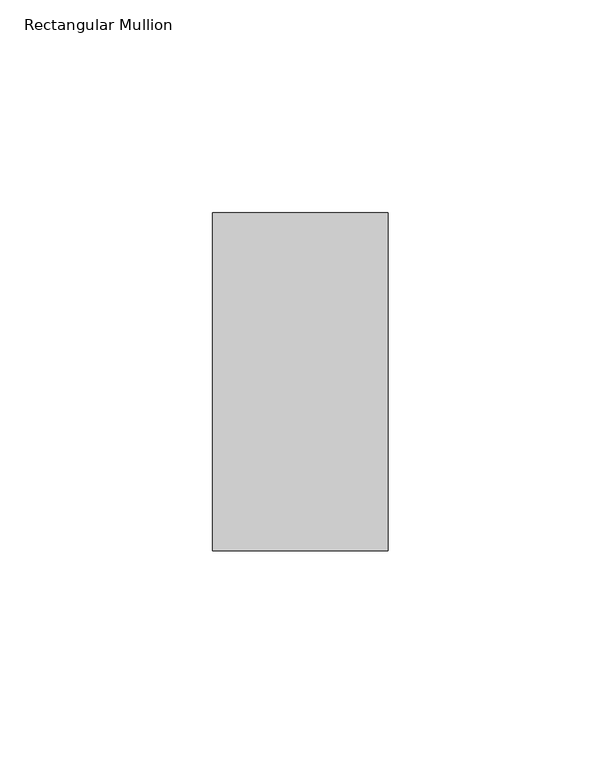
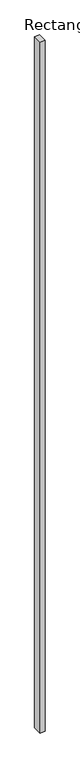
"""IFC4 building model written with IfcOpenShell, lengths in millimetres: member geometry, Rectangular Mullion."""

from ifc_helpers import new_model, si_unit, frame, origin, place, context, project, spatial, polyline, outline, extrude, source, transform, mapped, element, save


def rectangular_mullion_6125e7b3(model_context):
    return source(origin(), model_context, "Body", "SweptSolid", [
        extrude(outline(polyline([(20.6375, 34.925), (20.6375, -44.45), (-20.6375, -44.45), (-20.6375, 34.925), (20.6375, 34.925)])), frame((0.0, 0.0, -6096.0), z_axis=(0.0, 0.0, 1.0), x_axis=(1.0, 0.0, 0.0)), (0.0, 0.0, 1.0), 6096.0),
    ])


if __name__ == "__main__":
    model = new_model("IFC4")
    model_context = context("Model", 3, world=origin())
    ifc_project = project(units=[si_unit("LENGTHUNIT", "METRE", prefix="MILLI")], contexts=[model_context])
    site = spatial("IfcSite", under=ifc_project)
    building = spatial("IfcBuilding", under=site)
    placement = place(None, origin())
    rectangular_mullion_shape = rectangular_mullion_6125e7b3(model_context)
    element("IfcMember", 1, ObjectType="Rectangular Mullion", at=placement, inside=building, context=model_context, shape_type="MappedRepresentation", body=[
        mapped(rectangular_mullion_shape, transform((0.0, 0.0, 0.0), x_axis=(1.0, 0.0, 0.0), y_axis=(0.0, 1.0, 0.0), z_axis=(0.0, 0.0, 1.0))),
    ])
    save(model, "model.ifc")
